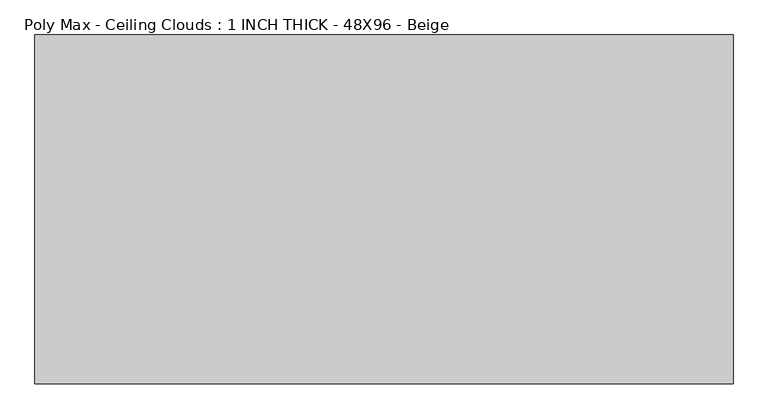
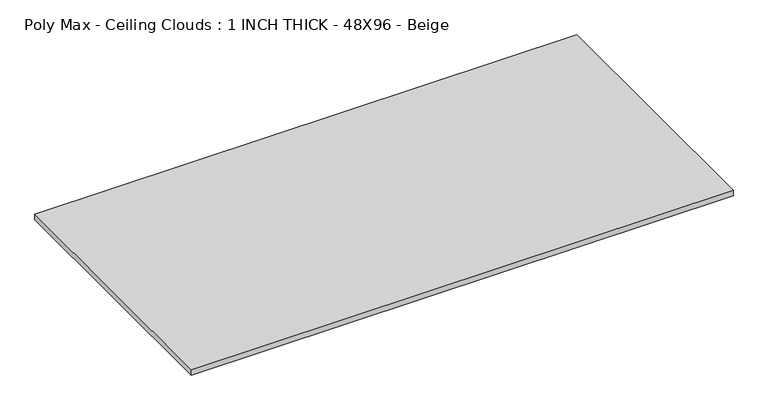
"""IFC4 building model written with IfcOpenShell, lengths in millimetres: proxy geometry, Poly Max - Ceiling Clouds : 1 INCH THICK - 48X96 - Beige."""

from ifc_helpers import new_model, si_unit, origin, origin_with_axes, place, context, project, spatial, polyline, outline, extrude, source, transform, mapped, element, save


def poly_max_ceiling_clouds_1_inch_thick_48x96_beige_11abb7a7(model_context):
    return source(origin(), model_context, "Body", "SweptSolid", [
        extrude(outline(polyline([(-1219.2, 609.6), (1219.2, 609.6), (1219.2, -609.6), (-1219.2, -609.6), (-1219.2, 609.6)])), origin_with_axes(), (0.0, 0.0, 1.0), 25.4),
    ])


if __name__ == "__main__":
    model = new_model("IFC4")
    model_context = context("Model", 3, world=origin())
    ifc_project = project(units=[si_unit("LENGTHUNIT", "METRE", prefix="MILLI")], contexts=[model_context])
    site = spatial("IfcSite", under=ifc_project)
    building = spatial("IfcBuilding", under=site)
    placement = place(None, origin())
    poly_max_ceiling_clouds_1_inch_thick_48x96_beige_shape = poly_max_ceiling_clouds_1_inch_thick_48x96_beige_11abb7a7(model_context)
    element("IfcBuildingElementProxy", 1, Name="Poly Max - Ceiling Clouds : 1 INCH THICK - 48X96 - Beige", ObjectType="Poly Max - Ceiling Clouds : 1 INCH THICK - 48X96 - Beige", at=placement, inside=building, context=model_context, shape_type="MappedRepresentation", body=[
        mapped(poly_max_ceiling_clouds_1_inch_thick_48x96_beige_shape, transform((0.0, 0.0, 0.0), x_axis=(1.0, 0.0, 0.0), y_axis=(0.0, 1.0, 0.0), z_axis=(0.0, 0.0, 1.0))),
    ])
    save(model, "model.ifc")
